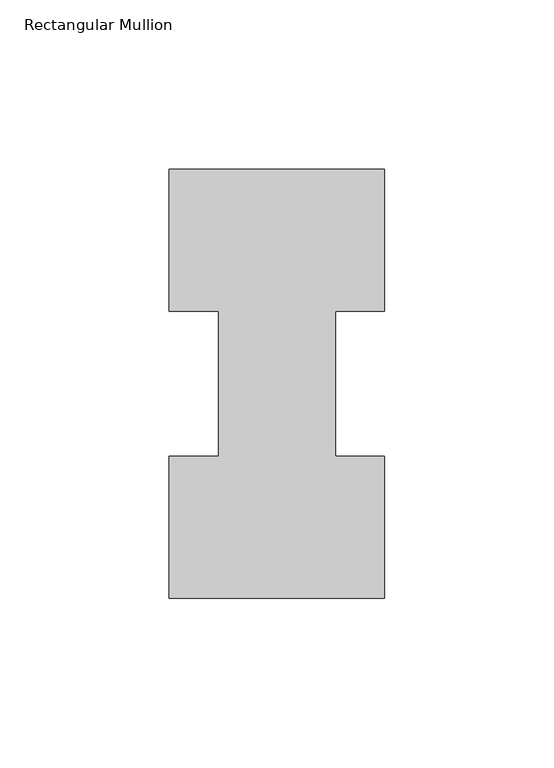
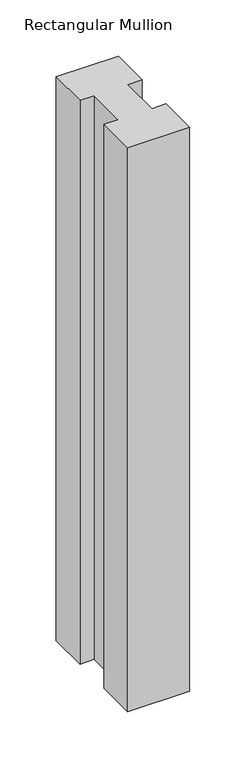
"""IFC4 building model written with IfcOpenShell, lengths in millimetres: member geometry, Rectangular Mullion."""

from ifc_helpers import new_model, si_unit, frame, origin, place, context, project, spatial, polyline, outline, extrude, source, transform, mapped, element, save


def rectangular_mullion_593c0f80(model_context):
    return source(origin(), model_context, "Body", "SweptSolid", [
        extrude(outline(polyline([(-63.5, 0.26035), (-63.5, 42.0829753), (-49.0000192, 42.0829753), (-49.0000192, 84.93125), (-63.5, 84.93125), (-63.5, 126.75235), (0.0, 126.75235), (0.0, 84.93125), (-14.4999808, 84.93125), (-14.4999808, 42.1178757), (0.0, 42.1178757), (0.0, 0.26035), (-63.5, 0.26035)])), frame((0.0, 0.0, -609.6), z_axis=(0.0, 0.0, 1.0), x_axis=(1.0, 0.0, 0.0)), (0.0, 0.0, 1.0), 609.6),
    ])


if __name__ == "__main__":
    model = new_model("IFC4")
    model_context = context("Model", 3, world=origin())
    ifc_project = project(units=[si_unit("LENGTHUNIT", "METRE", prefix="MILLI")], contexts=[model_context])
    site = spatial("IfcSite", under=ifc_project)
    building = spatial("IfcBuilding", under=site)
    placement = place(None, origin())
    rectangular_mullion_shape = rectangular_mullion_593c0f80(model_context)
    element("IfcMember", 1, ObjectType="Rectangular Mullion", at=placement, inside=building, context=model_context, shape_type="MappedRepresentation", body=[
        mapped(rectangular_mullion_shape, transform((0.0, 0.0, 0.0), x_axis=(1.0, 0.0, 0.0), y_axis=(0.0, 1.0, 0.0), z_axis=(0.0, 0.0, 1.0))),
    ])
    save(model, "model.ifc")
